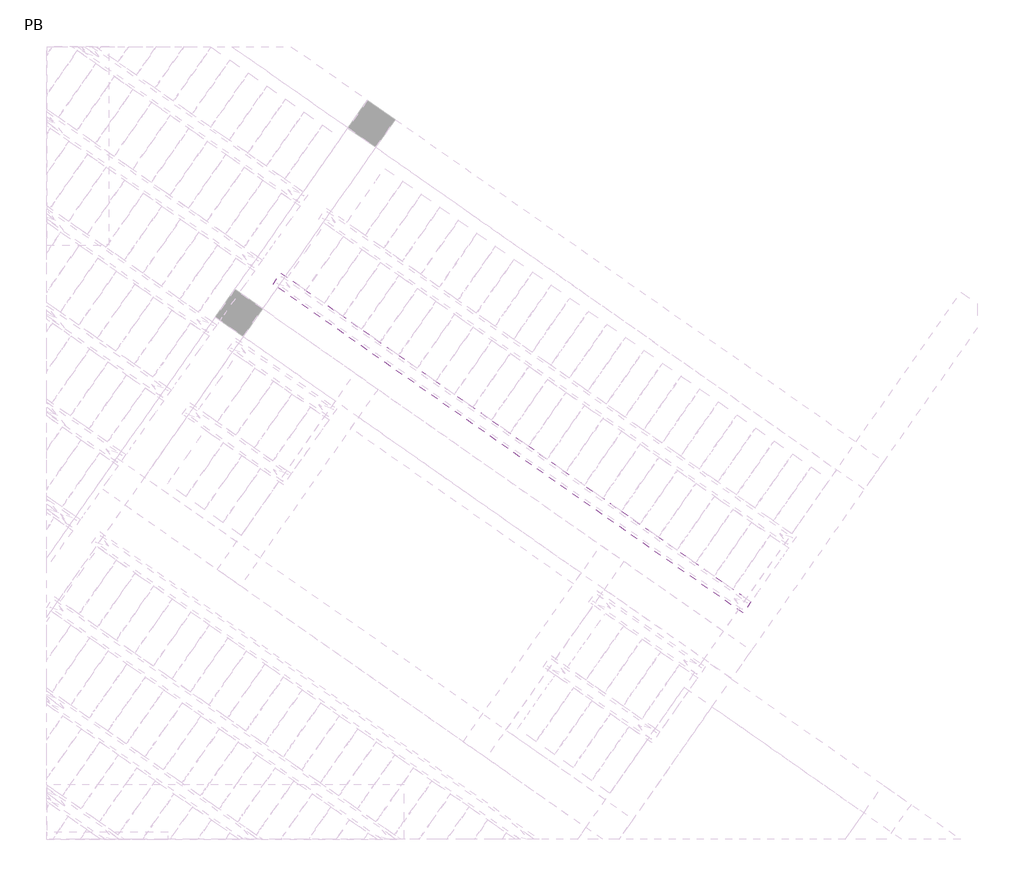
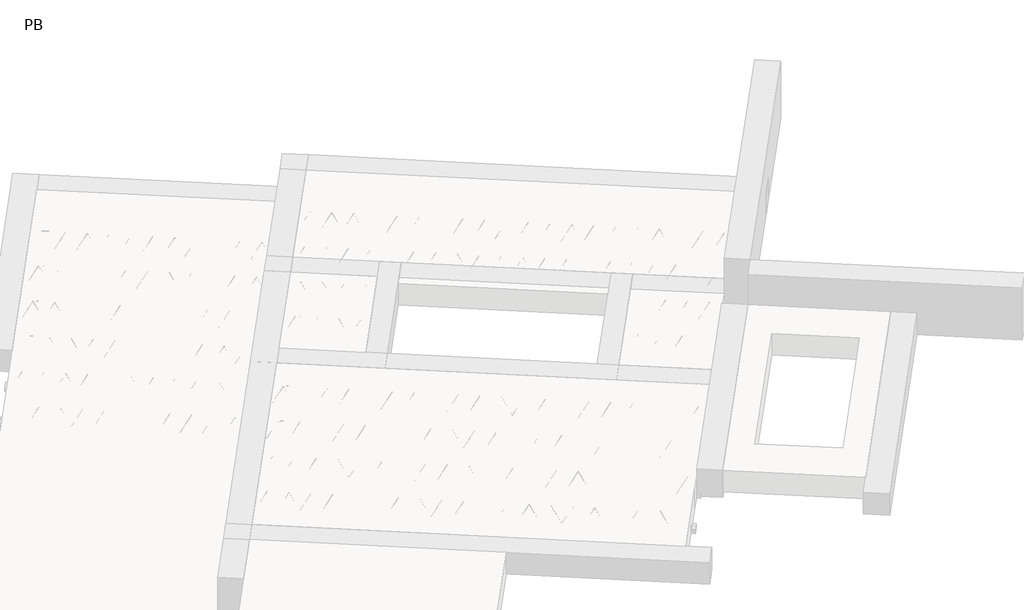
# One storey, part 45 of 56: 1 beam.
"""IFC4 building model written with IfcOpenShell, lengths in millimetres."""

from ifc_helpers import new_model, si_unit, point, frame, origin, origin_2d, place, context, project, spatial, polyline, circle_curve, trimmed, segment, composite_curve, outline, extrude, element, save

model = new_model("IFC4")

# Units and contexts
model_context = context("Model", 3, world=origin())
ifc_project = project(units=[si_unit("LENGTHUNIT", "METRE", prefix="MILLI")], contexts=[model_context])

# Site, building, storey
site = spatial("IfcSite", under=ifc_project)
building = spatial("IfcBuilding", under=site)
storey = spatial("IfcBuildingStorey", under=building, Name="PB", Elevation=95940.0)

# Beam
placement = place(None, origin())
element("IfcBeam", 1, at=placement, inside=storey, context=model_context, shape_type="SweptSolid", body=[
    extrude(outline(polyline([(6130.2678684, 7781.3454153), (6199.0970408, 7879.6436606), (10348.5559839, 4974.1612289), (10279.7268116, 4875.8629836), (6130.2678684, 7781.3454153)])), frame((0.0, 0.0, 99220.0), z_axis=(0.0, 0.0, 1.0), x_axis=(1.0, 0.0, 0.0)), (0.0, 0.0, 1.0), 50.0),
    extrude(outline(composite_curve([segment(trimmed(circle_curve(origin_2d(), 2.5), [point((-2.5, 0.0))], [point((2.5, 0.0))], False, "CARTESIAN"), True, "CONTINUOUS"), segment(trimmed(circle_curve(origin_2d(), 2.5), [point((2.5, 0.0))], [point((-2.5, 0.0))], False, "CARTESIAN"), True, "CONTINUOUS")], self_intersect=False)), frame((10273.832997, 4909.2884671, 99245.0), z_axis=(-0.8191520442696126, 0.5735764363787226, 0.0), x_axis=(0.5735764363787226, 0.8191520442696126, 0.0)), (0.0, 0.0, 1.0), 5017.554035),
    extrude(outline(composite_curve([segment(trimmed(circle_curve(origin_2d(), 2.5), [point((-2.5, 0.0))], [point((2.5, 0.0))], False, "CARTESIAN"), True, "CONTINUOUS"), segment(trimmed(circle_curve(origin_2d(), 2.5), [point((2.5, 0.0))], [point((-2.5, 0.0))], False, "CARTESIAN"), True, "CONTINUOUS")], self_intersect=False)), frame((10225.8556336, 4986.8304638, 99470.0), z_axis=(-0.8191520442696126, 0.5735764363787226, 0.0), x_axis=(0.5735764363787226, 0.8191520442696126, 0.0)), (0.0, 0.0, 1.0), 4850.0),
    extrude(outline(composite_curve([segment(trimmed(circle_curve(origin_2d(), 2.5), [point((-2.5000001, 0.0))], [point((2.5, 0.0))], False, "CARTESIAN"), True, "CONTINUOUS"), segment(trimmed(circle_curve(origin_2d(), 2.5), [point((2.5, 0.0))], [point((-2.5000001, 0.0))], False, "CARTESIAN"), True, "CONTINUOUS")], self_intersect=False)), frame((10266.6432853, 4914.3227575, 99245.0), z_axis=(-0.3145304735701046, 0.38933448886848654, 0.8657304643902053), x_axis=(0.7778747638402499, 0.6284193279813057, 0.0)), (0.0, 0.0, 1.0), 259.8961331),
    extrude(outline(composite_curve([segment(trimmed(circle_curve(origin_2d(), 2.5), [point((2.5, -1e-07))], [point((-2.5, 0.0))], False, "CARTESIAN"), True, "CONTINUOUS"), segment(trimmed(circle_curve(origin_2d(), 2.5), [point((-2.5, 0.0))], [point((2.5, -1e-07))], False, "CARTESIAN"), True, "CONTINUOUS")], self_intersect=False)), frame((10061.8552742, 5057.7168666, 99245.0), z_axis=(0.47343050384693375, -0.16240172737369005, 0.8657304643902051), x_axis=(-0.3244721671091268, -0.9458952440791246, 0.0)), (0.0, 0.0, 1.0), 259.8961331),
    extrude(outline(composite_curve([segment(trimmed(circle_curve(origin_2d(), 2.5), [point((-2.5, 0.0))], [point((2.5, 0.0))], False, "CARTESIAN"), True, "CONTINUOUS"), segment(trimmed(circle_curve(origin_2d(), 2.5), [point((2.5, 0.0))], [point((-2.5, 0.0))], False, "CARTESIAN"), True, "CONTINUOUS")], self_intersect=False)), frame((10061.8552742, 5057.7168666, 99245.0), z_axis=(-0.3145304735701046, 0.38933448886848654, 0.8657304643902053), x_axis=(0.7778747638402499, 0.6284193279813057, 0.0)), (0.0, 0.0, 1.0), 259.8961331),
    extrude(outline(composite_curve([segment(trimmed(circle_curve(origin_2d(), 2.5), [point((2.5, 0.0))], [point((-2.5, 0.0))], False, "CARTESIAN"), True, "CONTINUOUS"), segment(trimmed(circle_curve(origin_2d(), 2.5), [point((-2.5, 0.0))], [point((2.5, 0.0))], False, "CARTESIAN"), True, "CONTINUOUS")], self_intersect=False)), frame((9857.0672631, 5201.1109757, 99245.0), z_axis=(0.47343050384693375, -0.16240172737369005, 0.8657304643902051), x_axis=(-0.3244721671091268, -0.9458952440791246, 0.0)), (0.0, 0.0, 1.0), 259.8961331),
    extrude(outline(composite_curve([segment(trimmed(circle_curve(origin_2d(), 2.5), [point((-2.5, -1e-07))], [point((2.5, 0.0))], False, "CARTESIAN"), True, "CONTINUOUS"), segment(trimmed(circle_curve(origin_2d(), 2.5), [point((2.5, 0.0))], [point((-2.5, -1e-07))], False, "CARTESIAN"), True, "CONTINUOUS")], self_intersect=False)), frame((9857.0672631, 5201.1109757, 99245.0), z_axis=(-0.3145304735701046, 0.38933448886848654, 0.8657304643902053), x_axis=(0.7778747638402499, 0.6284193279813057, 0.0)), (0.0, 0.0, 1.0), 259.8961331),
    extrude(outline(composite_curve([segment(trimmed(circle_curve(origin_2d(), 2.5), [point((2.5, 0.0))], [point((-2.5, 0.0))], False, "CARTESIAN"), True, "CONTINUOUS"), segment(trimmed(circle_curve(origin_2d(), 2.5), [point((-2.5, 0.0))], [point((2.5, 0.0))], False, "CARTESIAN"), True, "CONTINUOUS")], self_intersect=False)), frame((9652.279252, 5344.5050848, 99245.0), z_axis=(0.47343050384693375, -0.16240172737369005, 0.8657304643902051), x_axis=(-0.3244721671091268, -0.9458952440791246, 0.0)), (0.0, 0.0, 1.0), 259.8961331),
    extrude(outline(composite_curve([segment(trimmed(circle_curve(origin_2d(), 2.5), [point((-2.5, -1e-07))], [point((2.5, 0.0))], False, "CARTESIAN"), True, "CONTINUOUS"), segment(trimmed(circle_curve(origin_2d(), 2.5), [point((2.5, 0.0))], [point((-2.5, -1e-07))], False, "CARTESIAN"), True, "CONTINUOUS")], self_intersect=False)), frame((9652.279252, 5344.5050848, 99245.0), z_axis=(-0.3145304735701046, 0.38933448886848654, 0.8657304643902053), x_axis=(0.7778747638402499, 0.6284193279813057, 0.0)), (0.0, 0.0, 1.0), 259.8961331),
    extrude(outline(composite_curve([segment(trimmed(circle_curve(origin_2d(), 2.5), [point((2.5000001, 0.0))], [point((-2.5, 0.0))], False, "CARTESIAN"), True, "CONTINUOUS"), segment(trimmed(circle_curve(origin_2d(), 2.5), [point((-2.5, 0.0))], [point((2.5000001, 0.0))], False, "CARTESIAN"), True, "CONTINUOUS")], self_intersect=False)), frame((9447.491241, 5487.8991939, 99245.0), z_axis=(0.47343050384693375, -0.16240172737369005, 0.8657304643902051), x_axis=(-0.3244721671091268, -0.9458952440791246, 0.0)), (0.0, 0.0, 1.0), 259.8961331),
    extrude(outline(composite_curve([segment(trimmed(circle_curve(origin_2d(), 2.5), [point((-2.5, 0.0))], [point((2.5, 0.0))], False, "CARTESIAN"), True, "CONTINUOUS"), segment(trimmed(circle_curve(origin_2d(), 2.5), [point((2.5, 0.0))], [point((-2.5, 0.0))], False, "CARTESIAN"), True, "CONTINUOUS")], self_intersect=False)), frame((9447.4912413, 5487.8991936, 99245.0), z_axis=(-0.3145304735701046, 0.38933448886848654, 0.8657304643902053), x_axis=(0.7778747638402499, 0.6284193279813057, 0.0)), (0.0, 0.0, 1.0), 259.8961331),
    extrude(outline(composite_curve([segment(trimmed(circle_curve(origin_2d(), 2.5), [point((2.5, 0.0))], [point((-2.5, 0.0))], False, "CARTESIAN"), True, "CONTINUOUS"), segment(trimmed(circle_curve(origin_2d(), 2.5), [point((-2.5, 0.0))], [point((2.5, 0.0))], False, "CARTESIAN"), True, "CONTINUOUS")], self_intersect=False)), frame((9242.7032302, 5631.2933027, 99245.0), z_axis=(0.47343050384693375, -0.16240172737369005, 0.8657304643902051), x_axis=(-0.3244721671091268, -0.9458952440791246, 0.0)), (0.0, 0.0, 1.0), 259.8961331),
    extrude(outline(composite_curve([segment(trimmed(circle_curve(origin_2d(), 2.5), [point((-2.5, 0.0))], [point((2.5, 0.0))], False, "CARTESIAN"), True, "CONTINUOUS"), segment(trimmed(circle_curve(origin_2d(), 2.5), [point((2.5, 0.0))], [point((-2.5, 0.0))], False, "CARTESIAN"), True, "CONTINUOUS")], self_intersect=False)), frame((9242.7032302, 5631.2933027, 99245.0), z_axis=(-0.3145304735701046, 0.38933448886848654, 0.8657304643902053), x_axis=(0.7778747638402499, 0.6284193279813057, 0.0)), (0.0, 0.0, 1.0), 259.8961331),
    extrude(outline(composite_curve([segment(trimmed(circle_curve(origin_2d(), 2.5), [point((2.5, -1e-07))], [point((-2.5, 0.0))], False, "CARTESIAN"), True, "CONTINUOUS"), segment(trimmed(circle_curve(origin_2d(), 2.5), [point((-2.5, 0.0))], [point((2.5, -1e-07))], False, "CARTESIAN"), True, "CONTINUOUS")], self_intersect=False)), frame((9037.9152192, 5774.6874118, 99245.0), z_axis=(0.47343050384693375, -0.16240172737369005, 0.8657304643902051), x_axis=(-0.3244721671091268, -0.9458952440791246, 0.0)), (0.0, 0.0, 1.0), 259.8961331),
    extrude(outline(composite_curve([segment(trimmed(circle_curve(origin_2d(), 2.5), [point((-2.5000001, 1e-07))], [point((2.5, 0.0))], False, "CARTESIAN"), True, "CONTINUOUS"), segment(trimmed(circle_curve(origin_2d(), 2.5), [point((2.5, 0.0))], [point((-2.5000001, 1e-07))], False, "CARTESIAN"), True, "CONTINUOUS")], self_intersect=False)), frame((9037.9152192, 5774.6874118, 99245.0), z_axis=(-0.3145304735701046, 0.38933448886848654, 0.8657304643902053), x_axis=(0.7778747638402499, 0.6284193279813057, 0.0)), (0.0, 0.0, 1.0), 259.8961331),
    extrude(outline(composite_curve([segment(trimmed(circle_curve(origin_2d(), 2.5), [point((2.5, 0.0))], [point((-2.5, 0.0))], False, "CARTESIAN"), True, "CONTINUOUS"), segment(trimmed(circle_curve(origin_2d(), 2.5), [point((-2.5, 0.0))], [point((2.5, 0.0))], False, "CARTESIAN"), True, "CONTINUOUS")], self_intersect=False)), frame((8833.1272081, 5918.0815209, 99245.0), z_axis=(0.47343050384693375, -0.16240172737369005, 0.8657304643902051), x_axis=(-0.3244721671091268, -0.9458952440791246, 0.0)), (0.0, 0.0, 1.0), 259.8961331),
    extrude(outline(composite_curve([segment(trimmed(circle_curve(origin_2d(), 2.5), [point((-2.5, 0.0))], [point((2.5, 0.0))], False, "CARTESIAN"), True, "CONTINUOUS"), segment(trimmed(circle_curve(origin_2d(), 2.5), [point((2.5, 0.0))], [point((-2.5, 0.0))], False, "CARTESIAN"), True, "CONTINUOUS")], self_intersect=False)), frame((8833.1272081, 5918.0815209, 99245.0), z_axis=(-0.3145304735701046, 0.38933448886848654, 0.8657304643902053), x_axis=(0.7778747638402499, 0.6284193279813057, 0.0)), (0.0, 0.0, 1.0), 259.8961331),
    extrude(outline(composite_curve([segment(trimmed(circle_curve(origin_2d(), 2.5), [point((2.5, 0.0))], [point((-2.5, 0.0))], False, "CARTESIAN"), True, "CONTINUOUS"), segment(trimmed(circle_curve(origin_2d(), 2.5), [point((-2.5, 0.0))], [point((2.5, 0.0))], False, "CARTESIAN"), True, "CONTINUOUS")], self_intersect=False)), frame((8628.339197, 6061.47563, 99245.0), z_axis=(0.47343050384693375, -0.16240172737369005, 0.8657304643902051), x_axis=(-0.3244721671091268, -0.9458952440791246, 0.0)), (0.0, 0.0, 1.0), 259.8961331),
    extrude(outline(composite_curve([segment(trimmed(circle_curve(origin_2d(), 2.5), [point((-2.5, 0.0))], [point((2.5, 0.0))], False, "CARTESIAN"), True, "CONTINUOUS"), segment(trimmed(circle_curve(origin_2d(), 2.5), [point((2.5, 0.0))], [point((-2.5, 0.0))], False, "CARTESIAN"), True, "CONTINUOUS")], self_intersect=False)), frame((8628.339197, 6061.47563, 99245.0), z_axis=(-0.3145304735701046, 0.38933448886848654, 0.8657304643902053), x_axis=(0.7778747638402499, 0.6284193279813057, 0.0)), (0.0, 0.0, 1.0), 259.8961331),
    extrude(outline(composite_curve([segment(trimmed(circle_curve(origin_2d(), 2.5), [point((2.5, -1e-07))], [point((-2.5, 0.0))], False, "CARTESIAN"), True, "CONTINUOUS"), segment(trimmed(circle_curve(origin_2d(), 2.5), [point((-2.5, 0.0))], [point((2.5, -1e-07))], False, "CARTESIAN"), True, "CONTINUOUS")], self_intersect=False)), frame((8423.551186, 6204.8697391, 99245.0), z_axis=(0.47343050384693375, -0.16240172737369005, 0.8657304643902051), x_axis=(-0.3244721671091268, -0.9458952440791246, 0.0)), (0.0, 0.0, 1.0), 259.8961331),
    extrude(outline(composite_curve([segment(trimmed(circle_curve(origin_2d(), 2.5), [point((-2.5000001, 1e-07))], [point((2.5, 0.0))], False, "CARTESIAN"), True, "CONTINUOUS"), segment(trimmed(circle_curve(origin_2d(), 2.5), [point((2.5, 0.0))], [point((-2.5000001, 1e-07))], False, "CARTESIAN"), True, "CONTINUOUS")], self_intersect=False)), frame((8423.551186, 6204.8697391, 99245.0), z_axis=(-0.3145304735701046, 0.38933448886848654, 0.8657304643902053), x_axis=(0.7778747638402499, 0.6284193279813057, 0.0)), (0.0, 0.0, 1.0), 259.8961331),
    extrude(outline(composite_curve([segment(trimmed(circle_curve(origin_2d(), 2.5), [point((2.5, 0.0))], [point((-2.5, 0.0))], False, "CARTESIAN"), True, "CONTINUOUS"), segment(trimmed(circle_curve(origin_2d(), 2.5), [point((-2.5, 0.0))], [point((2.5, 0.0))], False, "CARTESIAN"), True, "CONTINUOUS")], self_intersect=False)), frame((8218.7631749, 6348.2638482, 99245.0), z_axis=(0.47343050384693375, -0.16240172737369005, 0.8657304643902051), x_axis=(-0.3244721671091268, -0.9458952440791246, 0.0)), (0.0, 0.0, 1.0), 259.8961331),
    extrude(outline(composite_curve([segment(trimmed(circle_curve(origin_2d(), 2.5), [point((-2.5, 0.0))], [point((2.5, 0.0))], False, "CARTESIAN"), True, "CONTINUOUS"), segment(trimmed(circle_curve(origin_2d(), 2.5), [point((2.5, 0.0))], [point((-2.5, 0.0))], False, "CARTESIAN"), True, "CONTINUOUS")], self_intersect=False)), frame((8218.7631749, 6348.2638482, 99245.0), z_axis=(-0.3145304735701046, 0.38933448886848654, 0.8657304643902053), x_axis=(0.7778747638402499, 0.6284193279813057, 0.0)), (0.0, 0.0, 1.0), 259.8961331),
    extrude(outline(composite_curve([segment(trimmed(circle_curve(origin_2d(), 2.5), [point((2.5, 0.0))], [point((-2.5, 0.0))], False, "CARTESIAN"), True, "CONTINUOUS"), segment(trimmed(circle_curve(origin_2d(), 2.5), [point((-2.5, 0.0))], [point((2.5, 0.0))], False, "CARTESIAN"), True, "CONTINUOUS")], self_intersect=False)), frame((8013.9751638, 6491.6579573, 99245.0), z_axis=(0.47343050384693375, -0.16240172737369005, 0.8657304643902051), x_axis=(-0.3244721671091268, -0.9458952440791246, 0.0)), (0.0, 0.0, 1.0), 259.8961331),
    extrude(outline(composite_curve([segment(trimmed(circle_curve(origin_2d(), 2.5), [point((-2.5, 0.0))], [point((2.5, 0.0))], False, "CARTESIAN"), True, "CONTINUOUS"), segment(trimmed(circle_curve(origin_2d(), 2.5), [point((2.5, 0.0))], [point((-2.5, 0.0))], False, "CARTESIAN"), True, "CONTINUOUS")], self_intersect=False)), frame((8013.9751638, 6491.6579573, 99245.0), z_axis=(-0.3145304735701046, 0.38933448886848654, 0.8657304643902053), x_axis=(0.7778747638402499, 0.6284193279813057, 0.0)), (0.0, 0.0, 1.0), 259.8961331),
    extrude(outline(composite_curve([segment(trimmed(circle_curve(origin_2d(), 2.5), [point((2.5, -1e-07))], [point((-2.5, 0.0))], False, "CARTESIAN"), True, "CONTINUOUS"), segment(trimmed(circle_curve(origin_2d(), 2.5), [point((-2.5, 0.0))], [point((2.5, -1e-07))], False, "CARTESIAN"), True, "CONTINUOUS")], self_intersect=False)), frame((7809.1871528, 6635.0520664, 99245.0), z_axis=(0.47343050384693375, -0.16240172737369005, 0.8657304643902051), x_axis=(-0.3244721671091268, -0.9458952440791246, 0.0)), (0.0, 0.0, 1.0), 259.8961331),
    extrude(outline(composite_curve([segment(trimmed(circle_curve(origin_2d(), 2.5), [point((-2.5000001, 1e-07))], [point((2.5, 0.0))], False, "CARTESIAN"), True, "CONTINUOUS"), segment(trimmed(circle_curve(origin_2d(), 2.5), [point((2.5, 0.0))], [point((-2.5000001, 1e-07))], False, "CARTESIAN"), True, "CONTINUOUS")], self_intersect=False)), frame((7809.1871528, 6635.0520664, 99245.0), z_axis=(-0.3145304735701046, 0.38933448886848654, 0.8657304643902053), x_axis=(0.7778747638402499, 0.6284193279813057, 0.0)), (0.0, 0.0, 1.0), 259.8961331),
    extrude(outline(composite_curve([segment(trimmed(circle_curve(origin_2d(), 2.5), [point((2.5, 0.0))], [point((-2.5, 0.0))], False, "CARTESIAN"), True, "CONTINUOUS"), segment(trimmed(circle_curve(origin_2d(), 2.5), [point((-2.5, 0.0))], [point((2.5, 0.0))], False, "CARTESIAN"), True, "CONTINUOUS")], self_intersect=False)), frame((7604.3991417, 6778.4461755, 99245.0), z_axis=(0.47343050384693375, -0.16240172737369005, 0.8657304643902051), x_axis=(-0.3244721671091268, -0.9458952440791246, 0.0)), (0.0, 0.0, 1.0), 259.8961331),
    extrude(outline(composite_curve([segment(trimmed(circle_curve(origin_2d(), 2.5), [point((-2.5, 0.0))], [point((2.5, 0.0))], False, "CARTESIAN"), True, "CONTINUOUS"), segment(trimmed(circle_curve(origin_2d(), 2.5), [point((2.5, 0.0))], [point((-2.5, 0.0))], False, "CARTESIAN"), True, "CONTINUOUS")], self_intersect=False)), frame((7604.3991417, 6778.4461755, 99245.0), z_axis=(-0.3145304735701046, 0.38933448886848654, 0.8657304643902053), x_axis=(0.7778747638402499, 0.6284193279813057, 0.0)), (0.0, 0.0, 1.0), 259.8961331),
    extrude(outline(composite_curve([segment(trimmed(circle_curve(origin_2d(), 2.5), [point((2.5, 0.0))], [point((-2.5, 0.0))], False, "CARTESIAN"), True, "CONTINUOUS"), segment(trimmed(circle_curve(origin_2d(), 2.5), [point((-2.5, 0.0))], [point((2.5, 0.0))], False, "CARTESIAN"), True, "CONTINUOUS")], self_intersect=False)), frame((7399.6111306, 6921.8402846, 99245.0), z_axis=(0.47343050384693375, -0.16240172737369005, 0.8657304643902051), x_axis=(-0.3244721671091268, -0.9458952440791246, 0.0)), (0.0, 0.0, 1.0), 259.8961331),
    extrude(outline(composite_curve([segment(trimmed(circle_curve(origin_2d(), 2.5), [point((-2.5, 0.0))], [point((2.5, 0.0))], False, "CARTESIAN"), True, "CONTINUOUS"), segment(trimmed(circle_curve(origin_2d(), 2.5), [point((2.5, 0.0))], [point((-2.5, 0.0))], False, "CARTESIAN"), True, "CONTINUOUS")], self_intersect=False)), frame((7399.6111306, 6921.8402846, 99245.0), z_axis=(-0.3145304735701046, 0.38933448886848654, 0.8657304643902053), x_axis=(0.7778747638402499, 0.6284193279813057, 0.0)), (0.0, 0.0, 1.0), 259.8961331),
    extrude(outline(composite_curve([segment(trimmed(circle_curve(origin_2d(), 2.5), [point((2.5, -1e-07))], [point((-2.5, 0.0))], False, "CARTESIAN"), True, "CONTINUOUS"), segment(trimmed(circle_curve(origin_2d(), 2.5), [point((-2.5, 0.0))], [point((2.5, -1e-07))], False, "CARTESIAN"), True, "CONTINUOUS")], self_intersect=False)), frame((7194.8231196, 7065.2343937, 99245.0), z_axis=(0.47343050384693375, -0.16240172737369005, 0.8657304643902051), x_axis=(-0.3244721671091268, -0.9458952440791246, 0.0)), (0.0, 0.0, 1.0), 259.8961331),
    extrude(outline(composite_curve([segment(trimmed(circle_curve(origin_2d(), 2.5), [point((-2.5, -1e-07))], [point((2.5000001, -1e-07))], False, "CARTESIAN"), True, "CONTINUOUS"), segment(trimmed(circle_curve(origin_2d(), 2.5), [point((2.5000001, -1e-07))], [point((-2.5, -1e-07))], False, "CARTESIAN"), True, "CONTINUOUS")], self_intersect=False)), frame((7194.8231195, 7065.2343937, 99245.0), z_axis=(-0.3145304735701046, 0.38933448886848654, 0.8657304643902053), x_axis=(0.7778747638402499, 0.6284193279813057, 0.0)), (0.0, 0.0, 1.0), 259.8961331),
    extrude(outline(composite_curve([segment(trimmed(circle_curve(origin_2d(), 2.5), [point((2.5, 0.0))], [point((-2.5, 0.0))], False, "CARTESIAN"), True, "CONTINUOUS"), segment(trimmed(circle_curve(origin_2d(), 2.5), [point((-2.5, 0.0))], [point((2.5, 0.0))], False, "CARTESIAN"), True, "CONTINUOUS")], self_intersect=False)), frame((6990.0351085, 7208.6285028, 99245.0), z_axis=(0.47343050384693375, -0.16240172737369005, 0.8657304643902051), x_axis=(-0.3244721671091268, -0.9458952440791246, 0.0)), (0.0, 0.0, 1.0), 259.8961331),
    extrude(outline(composite_curve([segment(trimmed(circle_curve(origin_2d(), 2.5), [point((-2.5, -1e-07))], [point((2.5, 0.0))], False, "CARTESIAN"), True, "CONTINUOUS"), segment(trimmed(circle_curve(origin_2d(), 2.5), [point((2.5, 0.0))], [point((-2.5, -1e-07))], False, "CARTESIAN"), True, "CONTINUOUS")], self_intersect=False)), frame((6990.0351085, 7208.6285028, 99245.0), z_axis=(-0.3145304735701046, 0.38933448886848654, 0.8657304643902053), x_axis=(0.7778747638402499, 0.6284193279813057, 0.0)), (0.0, 0.0, 1.0), 259.8961331),
    extrude(outline(composite_curve([segment(trimmed(circle_curve(origin_2d(), 2.5), [point((2.5000001, 0.0))], [point((-2.5, 0.0))], False, "CARTESIAN"), True, "CONTINUOUS"), segment(trimmed(circle_curve(origin_2d(), 2.5), [point((-2.5, 0.0))], [point((2.5000001, 0.0))], False, "CARTESIAN"), True, "CONTINUOUS")], self_intersect=False)), frame((6785.2470974, 7352.0226119, 99245.0), z_axis=(0.47343050384693375, -0.16240172737369005, 0.8657304643902051), x_axis=(-0.3244721671091268, -0.9458952440791246, 0.0)), (0.0, 0.0, 1.0), 259.8961331),
    extrude(outline(composite_curve([segment(trimmed(circle_curve(origin_2d(), 2.5), [point((-2.5, -1e-07))], [point((2.5, 0.0))], False, "CARTESIAN"), True, "CONTINUOUS"), segment(trimmed(circle_curve(origin_2d(), 2.5), [point((2.5, 0.0))], [point((-2.5, -1e-07))], False, "CARTESIAN"), True, "CONTINUOUS")], self_intersect=False)), frame((6785.2470974, 7352.0226119, 99245.0), z_axis=(-0.3145304735701046, 0.38933448886848654, 0.8657304643902053), x_axis=(0.7778747638402499, 0.6284193279813057, 0.0)), (0.0, 0.0, 1.0), 259.8961331),
    extrude(outline(composite_curve([segment(trimmed(circle_curve(origin_2d(), 2.5), [point((2.5000001, 0.0))], [point((-2.5, 1e-07))], False, "CARTESIAN"), True, "CONTINUOUS"), segment(trimmed(circle_curve(origin_2d(), 2.5), [point((-2.5, 1e-07))], [point((2.5000001, 0.0))], False, "CARTESIAN"), True, "CONTINUOUS")], self_intersect=False)), frame((6580.4590863, 7495.416721, 99245.0), z_axis=(0.47343050384693375, -0.16240172737369005, 0.8657304643902051), x_axis=(-0.3244721671091268, -0.9458952440791246, 0.0)), (0.0, 0.0, 1.0), 259.8961331),
    extrude(outline(composite_curve([segment(trimmed(circle_curve(origin_2d(), 2.5), [point((-2.5, -1e-07))], [point((2.5000001, -1e-07))], False, "CARTESIAN"), True, "CONTINUOUS"), segment(trimmed(circle_curve(origin_2d(), 2.5), [point((2.5000001, -1e-07))], [point((-2.5, -1e-07))], False, "CARTESIAN"), True, "CONTINUOUS")], self_intersect=False)), frame((6580.4590863, 7495.416721, 99245.0), z_axis=(-0.3145304735701046, 0.38933448886848654, 0.8657304643902053), x_axis=(0.7778747638402499, 0.6284193279813057, 0.0)), (0.0, 0.0, 1.0), 259.8961331),
    extrude(outline(composite_curve([segment(trimmed(circle_curve(origin_2d(), 2.5), [point((2.5, 0.0))], [point((-2.5000001, 0.0))], False, "CARTESIAN"), True, "CONTINUOUS"), segment(trimmed(circle_curve(origin_2d(), 2.5), [point((-2.5000001, 0.0))], [point((2.5, 0.0))], False, "CARTESIAN"), True, "CONTINUOUS")], self_intersect=False)), frame((6375.6710753, 7638.81083, 99245.0), z_axis=(0.47343050384693375, -0.16240172737369005, 0.8657304643902051), x_axis=(-0.3244721671091268, -0.9458952440791246, 0.0)), (0.0, 0.0, 1.0), 259.8961331),
    extrude(outline(composite_curve([segment(trimmed(circle_curve(origin_2d(), 2.5), [point((-2.5, 0.0))], [point((2.5, 1e-07))], False, "CARTESIAN"), True, "CONTINUOUS"), segment(trimmed(circle_curve(origin_2d(), 2.5), [point((2.5, 1e-07))], [point((-2.5, 0.0))], False, "CARTESIAN"), True, "CONTINUOUS")], self_intersect=False)), frame((6375.6710753, 7638.81083, 99245.0), z_axis=(-0.3145304735701046, 0.38933448886848654, 0.8657304643902053), x_axis=(0.7778747638402499, 0.6284193279813057, 0.0)), (0.0, 0.0, 1.0), 259.8961331),
    extrude(outline(composite_curve([segment(trimmed(circle_curve(origin_2d(), 2.5), [point((2.5, 0.0))], [point((-2.5000001, 0.0))], False, "CARTESIAN"), True, "CONTINUOUS"), segment(trimmed(circle_curve(origin_2d(), 2.5), [point((-2.5000001, 0.0))], [point((2.5, 0.0))], False, "CARTESIAN"), True, "CONTINUOUS")], self_intersect=False)), frame((6170.8830642, 7782.2049391, 99245.0), z_axis=(0.47343050384693375, -0.16240172737369005, 0.8657304643902051), x_axis=(-0.3244721671091268, -0.9458952440791246, 0.0)), (0.0, 0.0, 1.0), 259.8961331),
    extrude(outline(composite_curve([segment(trimmed(circle_curve(origin_2d(), 2.5), [point((-2.5, 0.0))], [point((2.5, 0.0))], False, "CARTESIAN"), True, "CONTINUOUS"), segment(trimmed(circle_curve(origin_2d(), 2.5), [point((2.5, 0.0))], [point((-2.5, 0.0))], False, "CARTESIAN"), True, "CONTINUOUS")], self_intersect=False)), frame((10315.1305004, 4968.2674143, 99245.0), z_axis=(-0.8191520442696126, 0.5735764363787226, 0.0), x_axis=(0.5735764363787226, 0.8191520442696126, 0.0)), (0.0, 0.0, 1.0), 5017.554035),
    extrude(outline(composite_curve([segment(trimmed(circle_curve(origin_2d(), 2.5), [point((-2.5000001, 0.0))], [point((2.5, 0.0))], False, "CARTESIAN"), True, "CONTINUOUS"), segment(trimmed(circle_curve(origin_2d(), 2.5), [point((2.5, 0.0))], [point((-2.5000001, 0.0))], False, "CARTESIAN"), True, "CONTINUOUS")], self_intersect=False)), frame((10307.9407887, 4973.3017047, 99245.0), z_axis=(-0.47343050384693375, 0.16240172737369005, 0.8657304643902051), x_axis=(0.3244721671091268, 0.9458952440791246, 0.0)), (0.0, 0.0, 1.0), 259.8961331),
    extrude(outline(composite_curve([segment(trimmed(circle_curve(origin_2d(), 2.5), [point((2.5, 1e-07))], [point((-2.5, 0.0))], False, "CARTESIAN"), True, "CONTINUOUS"), segment(trimmed(circle_curve(origin_2d(), 2.5), [point((-2.5, 0.0))], [point((2.5, 1e-07))], False, "CARTESIAN"), True, "CONTINUOUS")], self_intersect=False)), frame((10103.1527776, 5116.6958138, 99245.0), z_axis=(0.3145304735701046, -0.38933448886848654, 0.8657304643902053), x_axis=(-0.7778747638402499, -0.6284193279813057, 0.0)), (0.0, 0.0, 1.0), 259.8961331),
    extrude(outline(composite_curve([segment(trimmed(circle_curve(origin_2d(), 2.5), [point((-2.5000001, 0.0))], [point((2.5, 0.0))], False, "CARTESIAN"), True, "CONTINUOUS"), segment(trimmed(circle_curve(origin_2d(), 2.5), [point((2.5, 0.0))], [point((-2.5000001, 0.0))], False, "CARTESIAN"), True, "CONTINUOUS")], self_intersect=False)), frame((10103.1527776, 5116.6958138, 99245.0), z_axis=(-0.47343050384693375, 0.16240172737369005, 0.8657304643902051), x_axis=(0.3244721671091268, 0.9458952440791246, 0.0)), (0.0, 0.0, 1.0), 259.8961331),
    extrude(outline(composite_curve([segment(trimmed(circle_curve(origin_2d(), 2.5), [point((2.5, 1e-07))], [point((-2.5, 0.0))], False, "CARTESIAN"), True, "CONTINUOUS"), segment(trimmed(circle_curve(origin_2d(), 2.5), [point((-2.5, 0.0))], [point((2.5, 1e-07))], False, "CARTESIAN"), True, "CONTINUOUS")], self_intersect=False)), frame((9898.3647665, 5260.0899229, 99245.0), z_axis=(0.3145304735701046, -0.38933448886848654, 0.8657304643902053), x_axis=(-0.7778747638402499, -0.6284193279813057, 0.0)), (0.0, 0.0, 1.0), 259.8961331),
    extrude(outline(composite_curve([segment(trimmed(circle_curve(origin_2d(), 2.5), [point((-2.5000001, 0.0))], [point((2.5, 0.0))], False, "CARTESIAN"), True, "CONTINUOUS"), segment(trimmed(circle_curve(origin_2d(), 2.5), [point((2.5, 0.0))], [point((-2.5000001, 0.0))], False, "CARTESIAN"), True, "CONTINUOUS")], self_intersect=False)), frame((9898.3647665, 5260.0899229, 99245.0), z_axis=(-0.47343050384693375, 0.16240172737369005, 0.8657304643902051), x_axis=(0.3244721671091268, 0.9458952440791246, 0.0)), (0.0, 0.0, 1.0), 259.8961331),
    extrude(outline(composite_curve([segment(trimmed(circle_curve(origin_2d(), 2.5), [point((2.5, 0.0))], [point((-2.5000001, 0.0))], False, "CARTESIAN"), True, "CONTINUOUS"), segment(trimmed(circle_curve(origin_2d(), 2.5), [point((-2.5000001, 0.0))], [point((2.5, 0.0))], False, "CARTESIAN"), True, "CONTINUOUS")], self_intersect=False)), frame((9693.5767554, 5403.4840319, 99245.0), z_axis=(0.3145304735701046, -0.38933448886848654, 0.8657304643902053), x_axis=(-0.7778747638402499, -0.6284193279813057, 0.0)), (0.0, 0.0, 1.0), 259.8961331),
    extrude(outline(composite_curve([segment(trimmed(circle_curve(origin_2d(), 2.5), [point((-2.5, 0.0))], [point((2.5000001, 0.0))], False, "CARTESIAN"), True, "CONTINUOUS"), segment(trimmed(circle_curve(origin_2d(), 2.5), [point((2.5000001, 0.0))], [point((-2.5, 0.0))], False, "CARTESIAN"), True, "CONTINUOUS")], self_intersect=False)), frame((9693.5767554, 5403.4840319, 99245.0), z_axis=(-0.47343050384693375, 0.16240172737369005, 0.8657304643902051), x_axis=(0.3244721671091268, 0.9458952440791246, 0.0)), (0.0, 0.0, 1.0), 259.8961331),
    extrude(outline(composite_curve([segment(trimmed(circle_curve(origin_2d(), 2.5), [point((2.5, 0.0))], [point((-2.5, -1e-07))], False, "CARTESIAN"), True, "CONTINUOUS"), segment(trimmed(circle_curve(origin_2d(), 2.5), [point((-2.5, -1e-07))], [point((2.5, 0.0))], False, "CARTESIAN"), True, "CONTINUOUS")], self_intersect=False)), frame((9488.7887444, 5546.878141, 99245.0), z_axis=(0.3145304735701046, -0.38933448886848654, 0.8657304643902053), x_axis=(-0.7778747638402499, -0.6284193279813057, 0.0)), (0.0, 0.0, 1.0), 259.8961331),
    extrude(outline(composite_curve([segment(trimmed(circle_curve(origin_2d(), 2.5), [point((-2.5, 0.0))], [point((2.5, 0.0))], False, "CARTESIAN"), True, "CONTINUOUS"), segment(trimmed(circle_curve(origin_2d(), 2.5), [point((2.5, 0.0))], [point((-2.5, 0.0))], False, "CARTESIAN"), True, "CONTINUOUS")], self_intersect=False)), frame((9488.7887447, 5546.8781408, 99245.0), z_axis=(-0.47343050384693375, 0.16240172737369005, 0.8657304643902051), x_axis=(0.3244721671091268, 0.9458952440791246, 0.0)), (0.0, 0.0, 1.0), 259.8961331),
    extrude(outline(composite_curve([segment(trimmed(circle_curve(origin_2d(), 2.5), [point((2.5, 0.0))], [point((-2.5000001, 1e-07))], False, "CARTESIAN"), True, "CONTINUOUS"), segment(trimmed(circle_curve(origin_2d(), 2.5), [point((-2.5000001, 1e-07))], [point((2.5, 0.0))], False, "CARTESIAN"), True, "CONTINUOUS")], self_intersect=False)), frame((9284.0007336, 5690.2722499, 99245.0), z_axis=(0.3145304735701046, -0.38933448886848654, 0.8657304643902053), x_axis=(-0.7778747638402499, -0.6284193279813057, 0.0)), (0.0, 0.0, 1.0), 259.8961331),
    extrude(outline(composite_curve([segment(trimmed(circle_curve(origin_2d(), 2.5), [point((-2.5, 0.0))], [point((2.5, -1e-07))], False, "CARTESIAN"), True, "CONTINUOUS"), segment(trimmed(circle_curve(origin_2d(), 2.5), [point((2.5, -1e-07))], [point((-2.5, 0.0))], False, "CARTESIAN"), True, "CONTINUOUS")], self_intersect=False)), frame((9284.0007336, 5690.2722499, 99245.0), z_axis=(-0.47343050384693375, 0.16240172737369005, 0.8657304643902051), x_axis=(0.3244721671091268, 0.9458952440791246, 0.0)), (0.0, 0.0, 1.0), 259.8961331),
    extrude(outline(composite_curve([segment(trimmed(circle_curve(origin_2d(), 2.5), [point((2.5, 0.0))], [point((-2.5, 0.0))], False, "CARTESIAN"), True, "CONTINUOUS"), segment(trimmed(circle_curve(origin_2d(), 2.5), [point((-2.5, 0.0))], [point((2.5, 0.0))], False, "CARTESIAN"), True, "CONTINUOUS")], self_intersect=False)), frame((9079.2127226, 5833.666359, 99245.0), z_axis=(0.3145304735701046, -0.38933448886848654, 0.8657304643902053), x_axis=(-0.7778747638402499, -0.6284193279813057, 0.0)), (0.0, 0.0, 1.0), 259.8961331),
    extrude(outline(composite_curve([segment(trimmed(circle_curve(origin_2d(), 2.5), [point((-2.5, 0.0))], [point((2.5, 0.0))], False, "CARTESIAN"), True, "CONTINUOUS"), segment(trimmed(circle_curve(origin_2d(), 2.5), [point((2.5, 0.0))], [point((-2.5, 0.0))], False, "CARTESIAN"), True, "CONTINUOUS")], self_intersect=False)), frame((9079.2127226, 5833.666359, 99245.0), z_axis=(-0.47343050384693375, 0.16240172737369005, 0.8657304643902051), x_axis=(0.3244721671091268, 0.9458952440791246, 0.0)), (0.0, 0.0, 1.0), 259.8961331),
    extrude(outline(composite_curve([segment(trimmed(circle_curve(origin_2d(), 2.5), [point((2.5, 0.0))], [point((-2.5, 0.0))], False, "CARTESIAN"), True, "CONTINUOUS"), segment(trimmed(circle_curve(origin_2d(), 2.5), [point((-2.5, 0.0))], [point((2.5, 0.0))], False, "CARTESIAN"), True, "CONTINUOUS")], self_intersect=False)), frame((8874.4247115, 5977.0604681, 99245.0), z_axis=(0.3145304735701046, -0.38933448886848654, 0.8657304643902053), x_axis=(-0.7778747638402499, -0.6284193279813057, 0.0)), (0.0, 0.0, 1.0), 259.8961331),
    extrude(outline(composite_curve([segment(trimmed(circle_curve(origin_2d(), 2.5), [point((-2.5, 0.0))], [point((2.5, 0.0))], False, "CARTESIAN"), True, "CONTINUOUS"), segment(trimmed(circle_curve(origin_2d(), 2.5), [point((2.5, 0.0))], [point((-2.5, 0.0))], False, "CARTESIAN"), True, "CONTINUOUS")], self_intersect=False)), frame((8874.4247115, 5977.0604681, 99245.0), z_axis=(-0.47343050384693375, 0.16240172737369005, 0.8657304643902051), x_axis=(0.3244721671091268, 0.9458952440791246, 0.0)), (0.0, 0.0, 1.0), 259.8961331),
    extrude(outline(composite_curve([segment(trimmed(circle_curve(origin_2d(), 2.5), [point((2.5, 0.0))], [point((-2.5000001, 1e-07))], False, "CARTESIAN"), True, "CONTINUOUS"), segment(trimmed(circle_curve(origin_2d(), 2.5), [point((-2.5000001, 1e-07))], [point((2.5, 0.0))], False, "CARTESIAN"), True, "CONTINUOUS")], self_intersect=False)), frame((8669.6367004, 6120.4545772, 99245.0), z_axis=(0.3145304735701046, -0.38933448886848654, 0.8657304643902053), x_axis=(-0.7778747638402499, -0.6284193279813057, 0.0)), (0.0, 0.0, 1.0), 259.8961331),
    extrude(outline(composite_curve([segment(trimmed(circle_curve(origin_2d(), 2.5), [point((-2.5, 0.0))], [point((2.5, -1e-07))], False, "CARTESIAN"), True, "CONTINUOUS"), segment(trimmed(circle_curve(origin_2d(), 2.5), [point((2.5, -1e-07))], [point((-2.5, 0.0))], False, "CARTESIAN"), True, "CONTINUOUS")], self_intersect=False)), frame((8669.6367004, 6120.4545772, 99245.0), z_axis=(-0.47343050384693375, 0.16240172737369005, 0.8657304643902051), x_axis=(0.3244721671091268, 0.9458952440791246, 0.0)), (0.0, 0.0, 1.0), 259.8961331),
    extrude(outline(composite_curve([segment(trimmed(circle_curve(origin_2d(), 2.5), [point((2.5, 0.0))], [point((-2.5, 0.0))], False, "CARTESIAN"), True, "CONTINUOUS"), segment(trimmed(circle_curve(origin_2d(), 2.5), [point((-2.5, 0.0))], [point((2.5, 0.0))], False, "CARTESIAN"), True, "CONTINUOUS")], self_intersect=False)), frame((8464.8486894, 6263.8486863, 99245.0), z_axis=(0.3145304735701046, -0.38933448886848654, 0.8657304643902053), x_axis=(-0.7778747638402499, -0.6284193279813057, 0.0)), (0.0, 0.0, 1.0), 259.8961331),
    extrude(outline(composite_curve([segment(trimmed(circle_curve(origin_2d(), 2.5), [point((-2.5, 0.0))], [point((2.5, 0.0))], False, "CARTESIAN"), True, "CONTINUOUS"), segment(trimmed(circle_curve(origin_2d(), 2.5), [point((2.5, 0.0))], [point((-2.5, 0.0))], False, "CARTESIAN"), True, "CONTINUOUS")], self_intersect=False)), frame((8464.8486894, 6263.8486863, 99245.0), z_axis=(-0.47343050384693375, 0.16240172737369005, 0.8657304643902051), x_axis=(0.3244721671091268, 0.9458952440791246, 0.0)), (0.0, 0.0, 1.0), 259.8961331),
    extrude(outline(composite_curve([segment(trimmed(circle_curve(origin_2d(), 2.5), [point((2.5, 0.0))], [point((-2.5, 0.0))], False, "CARTESIAN"), True, "CONTINUOUS"), segment(trimmed(circle_curve(origin_2d(), 2.5), [point((-2.5, 0.0))], [point((2.5, 0.0))], False, "CARTESIAN"), True, "CONTINUOUS")], self_intersect=False)), frame((8260.0606783, 6407.2427954, 99245.0), z_axis=(0.3145304735701046, -0.38933448886848654, 0.8657304643902053), x_axis=(-0.7778747638402499, -0.6284193279813057, 0.0)), (0.0, 0.0, 1.0), 259.8961331),
    extrude(outline(composite_curve([segment(trimmed(circle_curve(origin_2d(), 2.5), [point((-2.5, 0.0))], [point((2.5, 0.0))], False, "CARTESIAN"), True, "CONTINUOUS"), segment(trimmed(circle_curve(origin_2d(), 2.5), [point((2.5, 0.0))], [point((-2.5, 0.0))], False, "CARTESIAN"), True, "CONTINUOUS")], self_intersect=False)), frame((8260.0606783, 6407.2427954, 99245.0), z_axis=(-0.47343050384693375, 0.16240172737369005, 0.8657304643902051), x_axis=(0.3244721671091268, 0.9458952440791246, 0.0)), (0.0, 0.0, 1.0), 259.8961331),
    extrude(outline(composite_curve([segment(trimmed(circle_curve(origin_2d(), 2.5), [point((2.5, 0.0))], [point((-2.5, 0.0))], False, "CARTESIAN"), True, "CONTINUOUS"), segment(trimmed(circle_curve(origin_2d(), 2.5), [point((-2.5, 0.0))], [point((2.5, 0.0))], False, "CARTESIAN"), True, "CONTINUOUS")], self_intersect=False)), frame((8055.2726672, 6550.6369045, 99245.0), z_axis=(0.3145304735701046, -0.38933448886848654, 0.8657304643902053), x_axis=(-0.7778747638402499, -0.6284193279813057, 0.0)), (0.0, 0.0, 1.0), 259.8961331),
    extrude(outline(composite_curve([segment(trimmed(circle_curve(origin_2d(), 2.5), [point((-2.5, 0.0))], [point((2.5, -1e-07))], False, "CARTESIAN"), True, "CONTINUOUS"), segment(trimmed(circle_curve(origin_2d(), 2.5), [point((2.5, -1e-07))], [point((-2.5, 0.0))], False, "CARTESIAN"), True, "CONTINUOUS")], self_intersect=False)), frame((8055.2726672, 6550.6369045, 99245.0), z_axis=(-0.47343050384693375, 0.16240172737369005, 0.8657304643902051), x_axis=(0.3244721671091268, 0.9458952440791246, 0.0)), (0.0, 0.0, 1.0), 259.8961331),
    extrude(outline(composite_curve([segment(trimmed(circle_curve(origin_2d(), 2.5), [point((2.5, 1e-07))], [point((-2.5, 0.0))], False, "CARTESIAN"), True, "CONTINUOUS"), segment(trimmed(circle_curve(origin_2d(), 2.5), [point((-2.5, 0.0))], [point((2.5, 1e-07))], False, "CARTESIAN"), True, "CONTINUOUS")], self_intersect=False)), frame((7850.4846562, 6694.0310136, 99245.0), z_axis=(0.3145304735701046, -0.38933448886848654, 0.8657304643902053), x_axis=(-0.7778747638402499, -0.6284193279813057, 0.0)), (0.0, 0.0, 1.0), 259.8961331),
    extrude(outline(composite_curve([segment(trimmed(circle_curve(origin_2d(), 2.5), [point((-2.5, 0.0))], [point((2.5, 0.0))], False, "CARTESIAN"), True, "CONTINUOUS"), segment(trimmed(circle_curve(origin_2d(), 2.5), [point((2.5, 0.0))], [point((-2.5, 0.0))], False, "CARTESIAN"), True, "CONTINUOUS")], self_intersect=False)), frame((7850.4846562, 6694.0310136, 99245.0), z_axis=(-0.47343050384693375, 0.16240172737369005, 0.8657304643902051), x_axis=(0.3244721671091268, 0.9458952440791246, 0.0)), (0.0, 0.0, 1.0), 259.8961331),
    extrude(outline(composite_curve([segment(trimmed(circle_curve(origin_2d(), 2.5), [point((2.5, 1e-07))], [point((-2.5, 0.0))], False, "CARTESIAN"), True, "CONTINUOUS"), segment(trimmed(circle_curve(origin_2d(), 2.5), [point((-2.5, 0.0))], [point((2.5, 1e-07))], False, "CARTESIAN"), True, "CONTINUOUS")], self_intersect=False)), frame((7645.6966451, 6837.4251227, 99245.0), z_axis=(0.3145304735701046, -0.38933448886848654, 0.8657304643902053), x_axis=(-0.7778747638402499, -0.6284193279813057, 0.0)), (0.0, 0.0, 1.0), 259.8961331),
    extrude(outline(composite_curve([segment(trimmed(circle_curve(origin_2d(), 2.5), [point((-2.5, 0.0))], [point((2.5, 0.0))], False, "CARTESIAN"), True, "CONTINUOUS"), segment(trimmed(circle_curve(origin_2d(), 2.5), [point((2.5, 0.0))], [point((-2.5, 0.0))], False, "CARTESIAN"), True, "CONTINUOUS")], self_intersect=False)), frame((7645.6966451, 6837.4251227, 99245.0), z_axis=(-0.47343050384693375, 0.16240172737369005, 0.8657304643902051), x_axis=(0.3244721671091268, 0.9458952440791246, 0.0)), (0.0, 0.0, 1.0), 259.8961331),
    extrude(outline(composite_curve([segment(trimmed(circle_curve(origin_2d(), 2.5), [point((2.5, 1e-07))], [point((-2.5, 0.0))], False, "CARTESIAN"), True, "CONTINUOUS"), segment(trimmed(circle_curve(origin_2d(), 2.5), [point((-2.5, 0.0))], [point((2.5, 1e-07))], False, "CARTESIAN"), True, "CONTINUOUS")], self_intersect=False)), frame((7440.908634, 6980.8192318, 99245.0), z_axis=(0.3145304735701046, -0.38933448886848654, 0.8657304643902053), x_axis=(-0.7778747638402499, -0.6284193279813057, 0.0)), (0.0, 0.0, 1.0), 259.8961331),
    extrude(outline(composite_curve([segment(trimmed(circle_curve(origin_2d(), 2.5), [point((-2.5, 0.0))], [point((2.5, -1e-07))], False, "CARTESIAN"), True, "CONTINUOUS"), segment(trimmed(circle_curve(origin_2d(), 2.5), [point((2.5, -1e-07))], [point((-2.5, 0.0))], False, "CARTESIAN"), True, "CONTINUOUS")], self_intersect=False)), frame((7440.908634, 6980.8192318, 99245.0), z_axis=(-0.47343050384693375, 0.16240172737369005, 0.8657304643902051), x_axis=(0.3244721671091268, 0.9458952440791246, 0.0)), (0.0, 0.0, 1.0), 259.8961331),
    extrude(outline(composite_curve([segment(trimmed(circle_curve(origin_2d(), 2.5), [point((2.5, 1e-07))], [point((-2.5, 0.0))], False, "CARTESIAN"), True, "CONTINUOUS"), segment(trimmed(circle_curve(origin_2d(), 2.5), [point((-2.5, 0.0))], [point((2.5, 1e-07))], False, "CARTESIAN"), True, "CONTINUOUS")], self_intersect=False)), frame((7236.120623, 7124.2133409, 99245.0), z_axis=(0.3145304735701046, -0.38933448886848654, 0.8657304643902053), x_axis=(-0.7778747638402499, -0.6284193279813057, 0.0)), (0.0, 0.0, 1.0), 259.8961331),
    extrude(outline(composite_curve([segment(trimmed(circle_curve(origin_2d(), 2.5), [point((-2.5000001, 0.0))], [point((2.5, 0.0))], False, "CARTESIAN"), True, "CONTINUOUS"), segment(trimmed(circle_curve(origin_2d(), 2.5), [point((2.5, 0.0))], [point((-2.5000001, 0.0))], False, "CARTESIAN"), True, "CONTINUOUS")], self_intersect=False)), frame((7236.120623, 7124.2133409, 99245.0), z_axis=(-0.47343050384693375, 0.16240172737369005, 0.8657304643902051), x_axis=(0.3244721671091268, 0.9458952440791246, 0.0)), (0.0, 0.0, 1.0), 259.8961331),
    extrude(outline(composite_curve([segment(trimmed(circle_curve(origin_2d(), 2.5), [point((2.5, 0.0))], [point((-2.5, -1e-07))], False, "CARTESIAN"), True, "CONTINUOUS"), segment(trimmed(circle_curve(origin_2d(), 2.5), [point((-2.5, -1e-07))], [point((2.5, 0.0))], False, "CARTESIAN"), True, "CONTINUOUS")], self_intersect=False)), frame((7031.3326119, 7267.6074499, 99245.0), z_axis=(0.3145304735701046, -0.38933448886848654, 0.8657304643902053), x_axis=(-0.7778747638402499, -0.6284193279813057, 0.0)), (0.0, 0.0, 1.0), 259.8961331),
    extrude(outline(composite_curve([segment(trimmed(circle_curve(origin_2d(), 2.5), [point((-2.5, 0.0))], [point((2.5000001, 0.0))], False, "CARTESIAN"), True, "CONTINUOUS"), segment(trimmed(circle_curve(origin_2d(), 2.5), [point((2.5000001, 0.0))], [point((-2.5, 0.0))], False, "CARTESIAN"), True, "CONTINUOUS")], self_intersect=False)), frame((7031.3326119, 7267.6074499, 99245.0), z_axis=(-0.47343050384693375, 0.16240172737369005, 0.8657304643902051), x_axis=(0.3244721671091268, 0.9458952440791246, 0.0)), (0.0, 0.0, 1.0), 259.8961331),
    extrude(outline(composite_curve([segment(trimmed(circle_curve(origin_2d(), 2.5), [point((2.5, 0.0))], [point((-2.5, -1e-07))], False, "CARTESIAN"), True, "CONTINUOUS"), segment(trimmed(circle_curve(origin_2d(), 2.5), [point((-2.5, -1e-07))], [point((2.5, 0.0))], False, "CARTESIAN"), True, "CONTINUOUS")], self_intersect=False)), frame((6826.5446008, 7411.001559, 99245.0), z_axis=(0.3145304735701046, -0.38933448886848654, 0.8657304643902053), x_axis=(-0.7778747638402499, -0.6284193279813057, 0.0)), (0.0, 0.0, 1.0), 259.8961331),
    extrude(outline(composite_curve([segment(trimmed(circle_curve(origin_2d(), 2.5), [point((-2.5, 0.0))], [point((2.5000001, 0.0))], False, "CARTESIAN"), True, "CONTINUOUS"), segment(trimmed(circle_curve(origin_2d(), 2.5), [point((2.5000001, 0.0))], [point((-2.5, 0.0))], False, "CARTESIAN"), True, "CONTINUOUS")], self_intersect=False)), frame((6826.5446008, 7411.001559, 99245.0), z_axis=(-0.47343050384693375, 0.16240172737369005, 0.8657304643902051), x_axis=(0.3244721671091268, 0.9458952440791246, 0.0)), (0.0, 0.0, 1.0), 259.8961331),
    extrude(outline(composite_curve([segment(trimmed(circle_curve(origin_2d(), 2.5), [point((2.5, 0.0))], [point((-2.5, -1e-07))], False, "CARTESIAN"), True, "CONTINUOUS"), segment(trimmed(circle_curve(origin_2d(), 2.5), [point((-2.5, -1e-07))], [point((2.5, 0.0))], False, "CARTESIAN"), True, "CONTINUOUS")], self_intersect=False)), frame((6621.7565898, 7554.3956681, 99245.0), z_axis=(0.3145304735701046, -0.38933448886848654, 0.8657304643902053), x_axis=(-0.7778747638402499, -0.6284193279813057, 0.0)), (0.0, 0.0, 1.0), 259.8961331),
    extrude(outline(composite_curve([segment(trimmed(circle_curve(origin_2d(), 2.5), [point((-2.5, 1e-07))], [point((2.5, 0.0))], False, "CARTESIAN"), True, "CONTINUOUS"), segment(trimmed(circle_curve(origin_2d(), 2.5), [point((2.5, 0.0))], [point((-2.5, 1e-07))], False, "CARTESIAN"), True, "CONTINUOUS")], self_intersect=False)), frame((6621.7565898, 7554.3956681, 99245.0), z_axis=(-0.47343050384693375, 0.16240172737369005, 0.8657304643902051), x_axis=(0.3244721671091268, 0.9458952440791246, 0.0)), (0.0, 0.0, 1.0), 259.8961331),
    extrude(outline(composite_curve([segment(trimmed(circle_curve(origin_2d(), 2.5), [point((2.5, 0.0))], [point((-2.5, -1e-07))], False, "CARTESIAN"), True, "CONTINUOUS"), segment(trimmed(circle_curve(origin_2d(), 2.5), [point((-2.5, -1e-07))], [point((2.5, 0.0))], False, "CARTESIAN"), True, "CONTINUOUS")], self_intersect=False)), frame((6416.9685787, 7697.7897772, 99245.0), z_axis=(0.3145304735701046, -0.38933448886848654, 0.8657304643902053), x_axis=(-0.7778747638402499, -0.6284193279813057, 0.0)), (0.0, 0.0, 1.0), 259.8961331),
    extrude(outline(composite_curve([segment(trimmed(circle_curve(origin_2d(), 2.5), [point((-2.5, 0.0))], [point((2.5, 0.0))], False, "CARTESIAN"), True, "CONTINUOUS"), segment(trimmed(circle_curve(origin_2d(), 2.5), [point((2.5, 0.0))], [point((-2.5, 0.0))], False, "CARTESIAN"), True, "CONTINUOUS")], self_intersect=False)), frame((6416.9685787, 7697.7897772, 99245.0), z_axis=(-0.47343050384693375, 0.16240172737369005, 0.8657304643902051), x_axis=(0.3244721671091268, 0.9458952440791246, 0.0)), (0.0, 0.0, 1.0), 259.8961331),
    extrude(outline(composite_curve([segment(trimmed(circle_curve(origin_2d(), 2.5), [point((2.5, 0.0))], [point((-2.5, 0.0))], False, "CARTESIAN"), True, "CONTINUOUS"), segment(trimmed(circle_curve(origin_2d(), 2.5), [point((-2.5, 0.0))], [point((2.5, 0.0))], False, "CARTESIAN"), True, "CONTINUOUS")], self_intersect=False)), frame((6212.1805676, 7841.1838863, 99245.0), z_axis=(0.3145304735701046, -0.38933448886848654, 0.8657304643902053), x_axis=(-0.7778747638402499, -0.6284193279813057, 0.0)), (0.0, 0.0, 1.0), 259.8961331),
])

save(model, "model.ifc")
